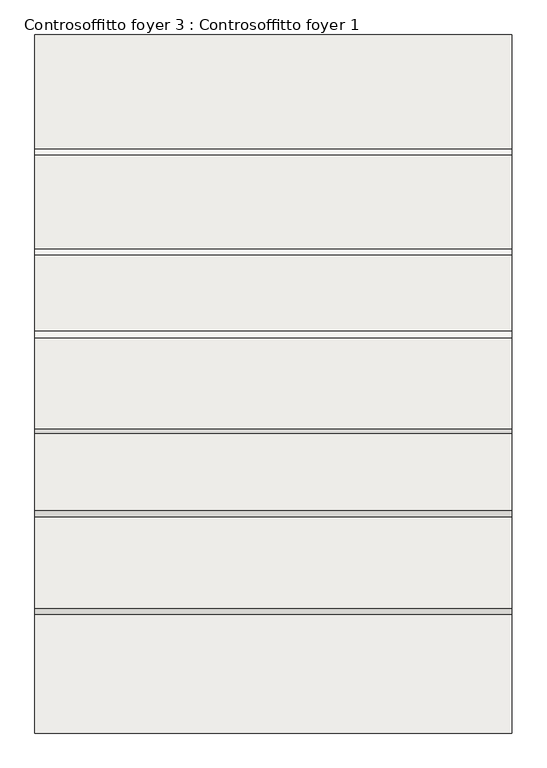
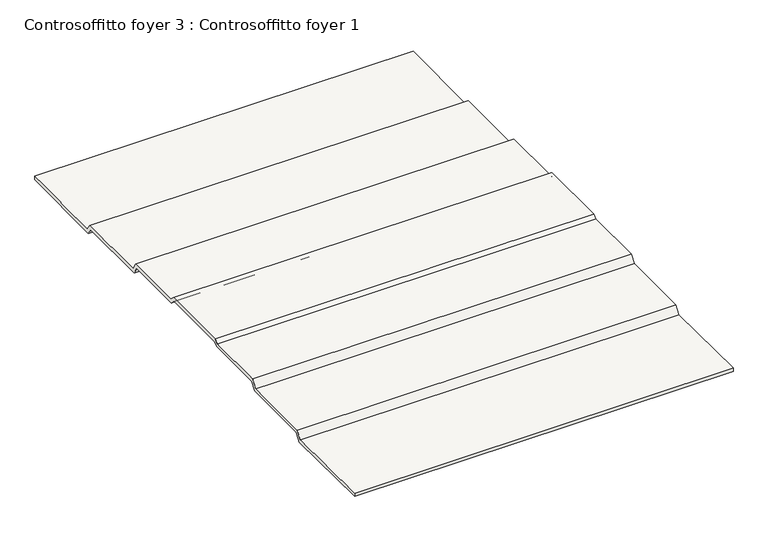
"""IFC4 building model written with IfcOpenShell, lengths in millimetres: slab geometry, Controsoffitto foyer 3 : Controsoffitto foyer 1."""

from ifc_helpers import new_model, si_unit, frame, origin, place, context, project, spatial, polyline, outline, extrude, source, transform, mapped, element, save


def controsoffitto_foyer_3_controsoffitto_foyer_1_9ad27b76(model_context):
    return source(origin(), model_context, "Body", "SweptSolid", [
        extrude(outline(polyline([(117094.4193285, 6380.2599351), (115978.1217872, 6391.5306895), (115978.1217872, 6431.5327282), (117073.7442403, 6420.470721), (117132.9190869, 6504.9811602), (117975.6547452, 6504.9811602), (118032.2029076, 6592.0576943), (118747.3256531, 6588.2606784), (118789.7210328, 6623.8346259), (119632.5977242, 6623.8346259), (119694.2412879, 6572.1095343), (120398.82398, 6572.1095343), (120450.0642588, 6486.8313895), (121322.1551344, 6486.8313895), (121374.2905777, 6412.37426), (122429.3735527, 6425.2721394), (122429.3735527, 6385.2691507), (121353.6466938, 6372.1189099), (121301.3324523, 6446.8313895), (120427.4333477, 6446.8313895), (120376.3850371, 6531.7900455), (119680.0632305, 6531.7900455), (119618.10376, 6583.7802143), (118804.2149969, 6583.7802143), (118761.7922497, 6548.1833028), (118053.8461415, 6551.9422136), (117997.3729732, 6464.9811602), (117153.741769, 6464.9811602), (117094.4193285, 6380.2599351)])), frame((-2268.07634, 0.0, 0.0), z_axis=(1.0, 0.0, 0.0), x_axis=(0.0, 1.0, 0.0)), (0.0, 0.0, 1.0), 4406.1618026),
    ])


if __name__ == "__main__":
    model = new_model("IFC4")
    model_context = context("Model", 3, world=origin())
    ifc_project = project(units=[si_unit("LENGTHUNIT", "METRE", prefix="MILLI")], contexts=[model_context])
    site = spatial("IfcSite", under=ifc_project)
    building = spatial("IfcBuilding", under=site)
    placement = place(None, origin())
    controsoffitto_foyer_3_controsoffitto_foyer_1_shape = controsoffitto_foyer_3_controsoffitto_foyer_1_9ad27b76(model_context)
    element("IfcSlab", 1, ObjectType="Controsoffitto foyer 3 : Controsoffitto foyer 1", at=placement, inside=building, context=model_context, shape_type="MappedRepresentation", body=[
        mapped(controsoffitto_foyer_3_controsoffitto_foyer_1_shape, transform((0.0, 0.0, 0.0), x_axis=(1.0, 0.0, 0.0), y_axis=(0.0, 1.0, 0.0), z_axis=(0.0, 0.0, 1.0))),
    ])
    save(model, "model.ifc")
